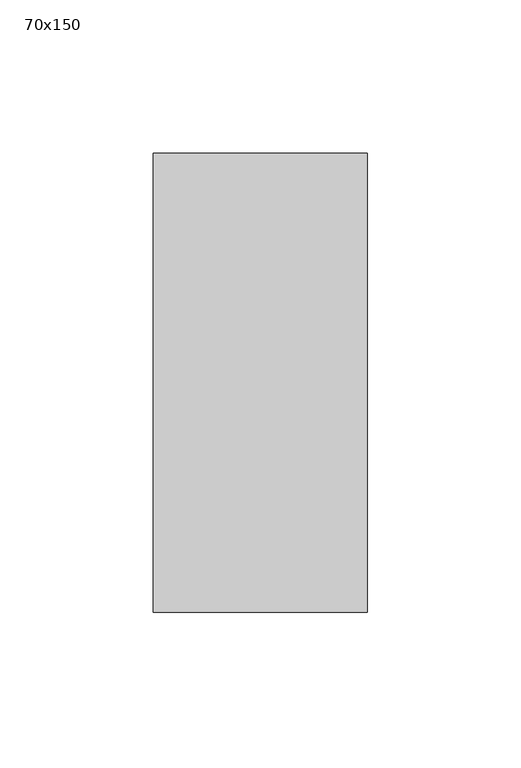
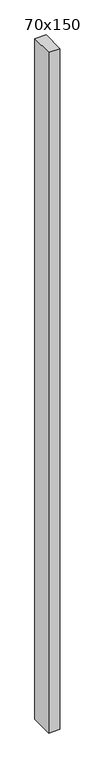
"""IFC4 building model written with IfcOpenShell, lengths in millimetres: member geometry, 70x150."""

from ifc_helpers import new_model, si_unit, frame, origin, place, context, project, spatial, polyline, outline, extrude, source, transform, mapped, element, save


def member_70x150_4d24a05e(model_context):
    return source(origin(), model_context, "Body", "SweptSolid", [
        extrude(outline(polyline([(35.0, 75.0), (35.0, -75.0), (-35.0, -75.0), (-35.0, 75.0), (35.0, 75.0)])), frame((0.0, 0.0, -4528.3333333), z_axis=(0.0, 0.0, 1.0), x_axis=(1.0, 0.0, 0.0)), (0.0, 0.0, 1.0), 4528.3333333),
    ])


if __name__ == "__main__":
    model = new_model("IFC4")
    model_context = context("Model", 3, world=origin())
    ifc_project = project(units=[si_unit("LENGTHUNIT", "METRE", prefix="MILLI")], contexts=[model_context])
    site = spatial("IfcSite", under=ifc_project)
    building = spatial("IfcBuilding", under=site)
    placement = place(None, origin())
    member_70x150_shape = member_70x150_4d24a05e(model_context)
    element("IfcMember", 1, ObjectType="70x150", at=placement, inside=building, context=model_context, shape_type="MappedRepresentation", body=[
        mapped(member_70x150_shape, transform((0.0, 0.0, 0.0), x_axis=(1.0, 0.0, 0.0), y_axis=(0.0, 1.0, 0.0), z_axis=(0.0, 0.0, 1.0))),
    ])
    save(model, "model.ifc")
